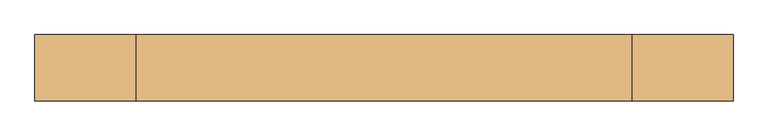
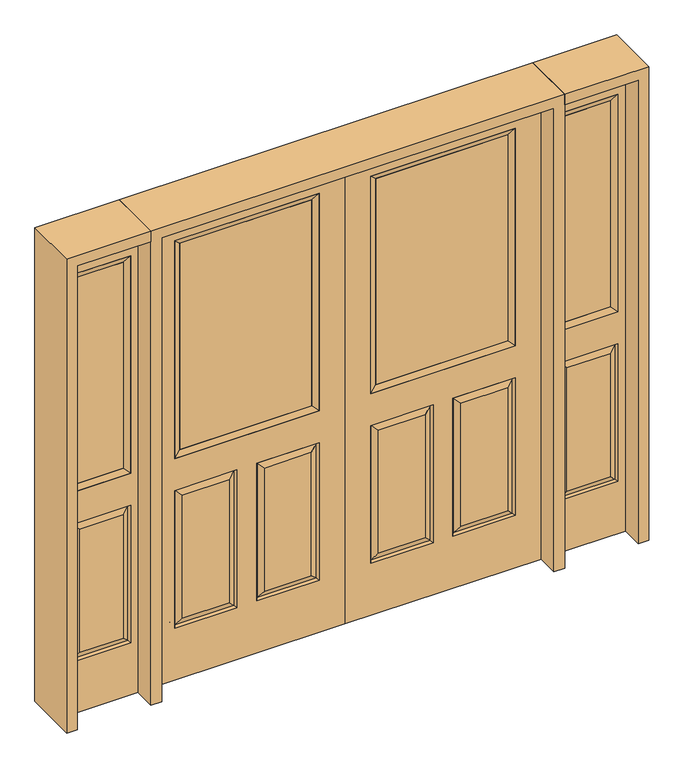
"""IFC4 building model written with IfcOpenShell, lengths in millimetres: door geometry."""

from ifc_helpers import new_model, si_unit, frame, origin, place, context, project, spatial, polyline, outline, extrude, faceted_brep, source, transform, mapped, element, save


def door_8e8e281d(model_context):
    return source(origin(), model_context, "Body", "SolidModel", [
        faceted_brep([(0.0, -22.225, 0.0), (0.0, -22.225, 2032.0), (-812.8, -22.225, 2032.0), (-812.8, -22.225, 0.0), (-107.061, -22.225, 971.55), (-705.739, -22.225, 971.55), (-705.739, -22.225, 1925.574), (-107.061, -22.225, 1925.574), (-107.061, -22.225, 831.85), (-107.061, -22.225, 228.6), (-365.125, -22.225, 228.6), (-365.125, -22.225, 831.85), (-447.675, -22.225, 831.85), (-447.675, -22.225, 228.6), (-705.739, -22.225, 228.6), (-705.739, -22.225, 831.85), (-333.375, -22.225, 800.1), (-333.375, -22.225, 260.35), (-138.811, -22.225, 260.35), (-138.811, -22.225, 800.1), (-673.989, -22.225, 800.1), (-673.989, -22.225, 260.35), (-479.425, -22.225, 260.35), (-479.425, -22.225, 800.1), (-812.8, 22.225, 0.0), (0.0, 22.225, 0.0), (-812.8, 22.225, 2032.0), (0.0, 22.225, 2032.0), (-107.061, 22.225, 1925.574), (-107.061, 22.225, 971.55), (-705.739, 22.225, 971.55), (-705.739, 22.225, 1925.574), (-365.125, 22.225, 831.85), (-365.125, 22.225, 228.6), (-107.061, 22.225, 228.6), (-107.061, 22.225, 831.85), (-705.739, 22.225, 831.85), (-705.739, 22.225, 228.6), (-447.675, 22.225, 228.6), (-447.675, 22.225, 831.85), (-138.811, 22.225, 800.1), (-138.811, 22.225, 260.35), (-333.375, 22.225, 260.35), (-333.375, 22.225, 800.1), (-479.425, 22.225, 800.1), (-479.425, 22.225, 260.35), (-673.989, 22.225, 260.35), (-673.989, 22.225, 800.1), (-114.20475, -12.7449236, 824.70625), (-357.98125, -12.7449236, 824.70625), (-114.20475, -12.7449236, 235.74375), (-357.98125, -12.7449236, 235.74375), (-698.59525, -12.7449236, 824.70625), (-454.81875, -12.7449236, 824.70625), (-454.81875, -12.7449236, 235.74375), (-698.59525, -12.7449236, 235.74375), (-114.20475, 12.7449236, 824.70625), (-357.98125, 12.7449236, 824.70625), (-357.98125, 12.7449236, 235.74375), (-114.20475, 12.7449236, 235.74375), (-698.59525, 12.7449236, 824.70625), (-454.81875, 12.7449236, 824.70625), (-698.59525, 12.7449236, 235.74375), (-454.81875, 12.7449236, 235.74375)], [[[0, 1, 2, 3], [4, 5, 6, 7], [8, 9, 10, 11], [12, 13, 14, 15]], [[16, 17, 18, 19]], [[20, 21, 22, 23]], [[3, 24, 25, 0]], [[2, 26, 24, 3]], [[0, 25, 27, 1]], [[7, 28, 29, 4]], [[5, 30, 31, 6]], [[4, 29, 30, 5]], [[25, 24, 26, 27], [29, 28, 31, 30], [32, 33, 34, 35], [36, 37, 38, 39]], [[40, 41, 42, 43]], [[44, 45, 46, 47]], [[1, 27, 26, 2]], [[6, 31, 28, 7]], [[16, 19, 48, 49]], [[19, 18, 50, 48]], [[51, 50, 18, 17]], [[49, 51, 17, 16]], [[48, 8, 11, 49]], [[11, 10, 51, 49]], [[10, 9, 50, 51]], [[48, 50, 9, 8]], [[52, 20, 23, 53]], [[23, 22, 54, 53]], [[22, 21, 55, 54]], [[52, 55, 21, 20]], [[53, 12, 15, 52]], [[15, 14, 55, 52]], [[54, 55, 14, 13]], [[53, 54, 13, 12]], [[56, 40, 43, 57]], [[43, 42, 58, 57]], [[42, 41, 59, 58]], [[56, 59, 41, 40]], [[57, 32, 35, 56]], [[35, 34, 59, 56]], [[58, 59, 34, 33]], [[57, 58, 33, 32]], [[44, 47, 60, 61]], [[47, 46, 62, 60]], [[63, 62, 46, 45]], [[61, 63, 45, 44]], [[60, 36, 39, 61]], [[39, 38, 63, 61]], [[38, 37, 62, 63]], [[60, 62, 37, 36]]]),
        extrude(outline(polyline([(-680.339, -12.7), (-680.339, 12.7), (-132.461, 12.7), (-132.461, -12.7), (-680.339, -12.7)])), frame((0.0, 0.0, 996.95), z_axis=(0.0, 0.0, 1.0), x_axis=(1.0, 0.0, 0.0)), (0.0, 0.0, 1.0), 903.224),
        faceted_brep([(-107.061, -22.225, 1925.574), (-107.061, -22.225, 971.55), (-107.061, 22.225, 971.55), (-107.061, 22.225, 1925.574), (-705.739, -22.225, 971.55), (-705.739, 22.225, 971.55), (-680.339, 12.7, 996.95), (-132.461, 12.7, 996.95), (-705.739, -22.225, 1925.574), (-705.739, 22.225, 1925.574), (-132.461, -12.7, 996.95), (-680.339, -12.7, 996.95), (-132.461, -12.7, 1900.174), (-680.339, -12.7, 1900.174), (-132.461, 12.7, 1900.174), (-680.339, 12.7, 1900.174)], [[[0, 1, 2, 3]], [[1, 4, 5, 2]], [[2, 5, 6, 7]], [[4, 8, 9, 5]], [[10, 11, 4, 1]], [[12, 10, 1, 0]], [[11, 13, 8, 4]], [[7, 6, 11, 10]], [[14, 7, 10, 12]], [[6, 15, 13, 11]], [[3, 2, 7, 14]], [[5, 9, 15, 6]], [[8, 0, 3, 9]], [[13, 12, 0, 8]], [[15, 14, 12, 13]], [[9, 3, 14, 15]]]),
        faceted_brep([(0.0, -22.225, 0.0), (812.8, -22.225, 0.0), (812.8, -22.225, 2032.0), (0.0, -22.225, 2032.0), (107.061, -22.225, 971.55), (107.061, -22.225, 1925.574), (705.739, -22.225, 1925.574), (705.739, -22.225, 971.55), (107.061, -22.225, 831.85), (365.125, -22.225, 831.85), (365.125, -22.225, 228.6), (107.061, -22.225, 228.6), (447.675, -22.225, 831.85), (705.739, -22.225, 831.85), (705.739, -22.225, 228.6), (447.675, -22.225, 228.6), (333.375, -22.225, 800.1), (138.811, -22.225, 800.1), (138.811, -22.225, 260.35), (333.375, -22.225, 260.35), (673.989, -22.225, 800.1), (479.425, -22.225, 800.1), (479.425, -22.225, 260.35), (673.989, -22.225, 260.35), (0.0, 22.225, 0.0), (812.8, 22.225, 0.0), (812.8, 22.225, 2032.0), (0.0, 22.225, 2032.0), (107.061, 22.225, 971.55), (107.061, 22.225, 1925.574), (705.739, 22.225, 1925.574), (705.739, 22.225, 971.55), (365.125, 22.225, 831.85), (107.061, 22.225, 831.85), (107.061, 22.225, 228.6), (365.125, 22.225, 228.6), (705.739, 22.225, 831.85), (447.675, 22.225, 831.85), (447.675, 22.225, 228.6), (705.739, 22.225, 228.6), (138.811, 22.225, 800.1), (333.375, 22.225, 800.1), (333.375, 22.225, 260.35), (138.811, 22.225, 260.35), (479.425, 22.225, 800.1), (673.989, 22.225, 800.1), (673.989, 22.225, 260.35), (479.425, 22.225, 260.35), (357.98125, -12.7449236, 824.70625), (114.20475, -12.7449236, 824.70625), (114.20475, -12.7449236, 235.74375), (357.98125, -12.7449236, 235.74375), (698.59525, -12.7449236, 824.70625), (454.81875, -12.7449236, 824.70625), (454.81875, -12.7449236, 235.74375), (698.59525, -12.7449236, 235.74375), (114.20475, 12.7449236, 824.70625), (357.98125, 12.7449236, 824.70625), (357.98125, 12.7449236, 235.74375), (114.20475, 12.7449236, 235.74375), (454.81875, 12.7449236, 824.70625), (698.59525, 12.7449236, 824.70625), (698.59525, 12.7449236, 235.74375), (454.81875, 12.7449236, 235.74375)], [[[0, 1, 2, 3], [4, 5, 6, 7], [8, 9, 10, 11], [12, 13, 14, 15]], [[16, 17, 18, 19]], [[20, 21, 22, 23]], [[1, 0, 24, 25]], [[2, 1, 25, 26]], [[0, 3, 27, 24]], [[5, 4, 28, 29]], [[7, 6, 30, 31]], [[4, 7, 31, 28]], [[24, 27, 26, 25], [28, 31, 30, 29], [32, 33, 34, 35], [36, 37, 38, 39]], [[40, 41, 42, 43]], [[44, 45, 46, 47]], [[3, 2, 26, 27]], [[6, 5, 29, 30]], [[16, 48, 49, 17]], [[17, 49, 50, 18]], [[51, 19, 18, 50]], [[48, 16, 19, 51]], [[49, 48, 9, 8]], [[9, 48, 51, 10]], [[10, 51, 50, 11]], [[49, 8, 11, 50]], [[52, 53, 21, 20]], [[21, 53, 54, 22]], [[22, 54, 55, 23]], [[52, 20, 23, 55]], [[53, 52, 13, 12]], [[13, 52, 55, 14]], [[54, 15, 14, 55]], [[53, 12, 15, 54]], [[56, 57, 41, 40]], [[41, 57, 58, 42]], [[42, 58, 59, 43]], [[56, 40, 43, 59]], [[57, 56, 33, 32]], [[33, 56, 59, 34]], [[58, 35, 34, 59]], [[57, 32, 35, 58]], [[44, 60, 61, 45]], [[45, 61, 62, 46]], [[63, 47, 46, 62]], [[60, 44, 47, 63]], [[61, 60, 37, 36]], [[37, 60, 63, 38]], [[38, 63, 62, 39]], [[61, 36, 39, 62]]]),
        extrude(outline(polyline([(680.339, -12.7), (132.461, -12.7), (132.461, 12.7), (680.339, 12.7), (680.339, -12.7)])), frame((0.0, 0.0, 996.95), z_axis=(0.0, 0.0, 1.0), x_axis=(1.0, 0.0, 0.0)), (0.0, 0.0, 1.0), 903.224),
        faceted_brep([(107.061, -22.225, 1925.574), (107.061, 22.225, 1925.574), (107.061, 22.225, 971.55), (107.061, -22.225, 971.55), (705.739, 22.225, 971.55), (705.739, -22.225, 971.55), (132.461, 12.7, 996.95), (680.339, 12.7, 996.95), (705.739, 22.225, 1925.574), (705.739, -22.225, 1925.574), (132.461, -12.7, 996.95), (680.339, -12.7, 996.95), (132.461, -12.7, 1900.174), (680.339, -12.7, 1900.174), (132.461, 12.7, 1900.174), (680.339, 12.7, 1900.174)], [[[0, 1, 2, 3]], [[3, 2, 4, 5]], [[2, 6, 7, 4]], [[5, 4, 8, 9]], [[10, 3, 5, 11]], [[12, 0, 3, 10]], [[11, 5, 9, 13]], [[6, 10, 11, 7]], [[14, 12, 10, 6]], [[7, 11, 13, 15]], [[1, 14, 6, 2]], [[4, 7, 15, 8]], [[9, 8, 1, 0]], [[13, 9, 0, 12]], [[15, 13, 12, 14]], [[8, 15, 14, 1]]]),
        faceted_brep([(1162.05, -22.225, 0.0), (1162.05, -22.225, 2032.0), (857.25, -22.225, 2032.0), (857.25, -22.225, 0.0), (888.238, -22.225, 1925.574), (1131.062, -22.225, 1925.574), (1131.062, -22.225, 971.55), (888.238, -22.225, 971.55), (888.238, -22.225, 228.6), (888.238, -22.225, 831.85), (1131.062, -22.225, 831.85), (1131.062, -22.225, 228.6), (1099.1559872, -22.225, 260.5060128), (1099.1559872, -22.225, 799.9439872), (920.1440128, -22.225, 799.9439872), (920.1440128, -22.225, 260.5060128), (857.25, 22.225, 0.0), (1162.05, 22.225, 0.0), (857.25, 22.225, 2032.0), (1162.05, 22.225, 2032.0), (888.238, 22.225, 971.55), (888.238, 22.225, 1925.574), (1131.062, 22.225, 971.55), (1131.062, 22.225, 1925.574), (1131.062, 22.225, 228.6), (1131.062, 22.225, 831.85), (888.238, 22.225, 831.85), (888.238, 22.225, 228.6), (920.1440128, 22.225, 260.5060128), (920.1440128, 22.225, 799.9439872), (1099.1559872, 22.225, 799.9439872), (1099.1559872, 22.225, 260.5060128), (1124.1419933, -13.0418409, 235.5200067), (895.1580067, -13.0418409, 235.5200067), (1124.1419933, -13.0418409, 824.9299933), (895.1580067, -13.0418409, 824.9299933), (1124.1419933, 13.0418409, 235.5200067), (895.1580067, 13.0418409, 235.5200067), (895.1580067, 13.0418409, 824.9299933), (1124.1419933, 13.0418409, 824.9299933)], [[[0, 1, 2, 3], [4, 5, 6, 7], [8, 9, 10, 11]], [[12, 13, 14, 15]], [[3, 16, 17, 0]], [[2, 18, 16, 3]], [[0, 17, 19, 1]], [[7, 20, 21, 4]], [[6, 22, 20, 7]], [[5, 23, 22, 6]], [[17, 16, 18, 19], [21, 20, 22, 23], [24, 25, 26, 27]], [[28, 29, 30, 31]], [[1, 19, 18, 2]], [[4, 21, 23, 5]], [[8, 11, 32, 33]], [[11, 10, 34, 32]], [[35, 34, 10, 9]], [[33, 35, 9, 8]], [[32, 12, 15, 33]], [[15, 14, 35, 33]], [[14, 13, 34, 35]], [[32, 34, 13, 12]], [[36, 24, 27, 37]], [[27, 26, 38, 37]], [[26, 25, 39, 38]], [[36, 39, 25, 24]], [[37, 28, 31, 36]], [[31, 30, 39, 36]], [[38, 39, 30, 29]], [[37, 38, 29, 28]]]),
        extrude(outline(polyline([(913.638, -12.7), (913.638, 12.7), (1105.662, 12.7), (1105.662, -12.7), (913.638, -12.7)])), frame((0.0, 0.0, 996.95), z_axis=(0.0, 0.0, 1.0), x_axis=(1.0, 0.0, 0.0)), (0.0, 0.0, 1.0), 903.224),
        faceted_brep([(1131.062, -22.225, 1925.574), (1131.062, -22.225, 971.55), (1131.062, 22.225, 971.55), (1131.062, 22.225, 1925.574), (888.238, -22.225, 971.55), (888.238, 22.225, 971.55), (913.638, 12.7, 996.95), (1105.662, 12.7, 996.95), (888.238, -22.225, 1925.574), (888.238, 22.225, 1925.574), (1105.662, -12.7, 996.95), (913.638, -12.7, 996.95), (1105.662, -12.7, 1900.174), (913.638, -12.7, 1900.174), (1105.662, 12.7, 1900.174), (913.638, 12.7, 1900.174)], [[[0, 1, 2, 3]], [[1, 4, 5, 2]], [[2, 5, 6, 7]], [[4, 8, 9, 5]], [[10, 11, 4, 1]], [[12, 10, 1, 0]], [[11, 13, 8, 4]], [[7, 6, 11, 10]], [[14, 7, 10, 12]], [[6, 15, 13, 11]], [[3, 2, 7, 14]], [[5, 9, 15, 6]], [[8, 0, 3, 9]], [[13, 12, 0, 8]], [[15, 14, 12, 13]], [[9, 3, 14, 15]]]),
        faceted_brep([(-1162.05, -22.225, 0.0), (-857.25, -22.225, 0.0), (-857.25, -22.225, 2032.0), (-1162.05, -22.225, 2032.0), (-888.238, -22.225, 1925.574), (-888.238, -22.225, 971.55), (-1131.062, -22.225, 971.55), (-1131.062, -22.225, 1925.574), (-888.238, -22.225, 228.6), (-1131.062, -22.225, 228.6), (-1131.062, -22.225, 831.85), (-888.238, -22.225, 831.85), (-1099.1559872, -22.225, 260.5060128), (-920.1440128, -22.225, 260.5060128), (-920.1440128, -22.225, 799.9439872), (-1099.1559872, -22.225, 799.9439872), (-1162.05, 22.225, 0.0), (-857.25, 22.225, 0.0), (-857.25, 22.225, 2032.0), (-1162.05, 22.225, 2032.0), (-888.238, 22.225, 1925.574), (-888.238, 22.225, 971.55), (-1131.062, 22.225, 971.55), (-1131.062, 22.225, 1925.574), (-1131.062, 22.225, 228.6), (-888.238, 22.225, 228.6), (-888.238, 22.225, 831.85), (-1131.062, 22.225, 831.85), (-920.1440128, 22.225, 260.5060128), (-1099.1559872, 22.225, 260.5060128), (-1099.1559872, 22.225, 799.9439872), (-920.1440128, 22.225, 799.9439872), (-895.1580067, -13.0418409, 235.5200067), (-1124.1419933, -13.0418409, 235.5200067), (-1124.1419933, -13.0418409, 824.9299933), (-895.1580067, -13.0418409, 824.9299933), (-1124.1419933, 13.0418409, 235.5200067), (-895.1580067, 13.0418409, 235.5200067), (-895.1580067, 13.0418409, 824.9299933), (-1124.1419933, 13.0418409, 824.9299933)], [[[0, 1, 2, 3], [4, 5, 6, 7], [8, 9, 10, 11]], [[12, 13, 14, 15]], [[1, 0, 16, 17]], [[2, 1, 17, 18]], [[0, 3, 19, 16]], [[5, 4, 20, 21]], [[6, 5, 21, 22]], [[7, 6, 22, 23]], [[16, 19, 18, 17], [20, 23, 22, 21], [24, 25, 26, 27]], [[28, 29, 30, 31]], [[3, 2, 18, 19]], [[4, 7, 23, 20]], [[8, 32, 33, 9]], [[9, 33, 34, 10]], [[35, 11, 10, 34]], [[32, 8, 11, 35]], [[33, 32, 13, 12]], [[13, 32, 35, 14]], [[14, 35, 34, 15]], [[33, 12, 15, 34]], [[36, 37, 25, 24]], [[25, 37, 38, 26]], [[26, 38, 39, 27]], [[36, 24, 27, 39]], [[37, 36, 29, 28]], [[29, 36, 39, 30]], [[38, 31, 30, 39]], [[37, 28, 31, 38]]]),
        extrude(outline(polyline([(-913.638, -12.7), (-1105.662, -12.7), (-1105.662, 12.7), (-913.638, 12.7), (-913.638, -12.7)])), frame((0.0, 0.0, 996.95), z_axis=(0.0, 0.0, 1.0), x_axis=(1.0, 0.0, 0.0)), (0.0, 0.0, 1.0), 903.224),
        faceted_brep([(-1131.062, -22.225, 1925.574), (-1131.062, 22.225, 1925.574), (-1131.062, 22.225, 971.55), (-1131.062, -22.225, 971.55), (-888.238, 22.225, 971.55), (-888.238, -22.225, 971.55), (-1105.662, 12.7, 996.95), (-913.638, 12.7, 996.95), (-888.238, 22.225, 1925.574), (-888.238, -22.225, 1925.574), (-1105.662, -12.7, 996.95), (-913.638, -12.7, 996.95), (-1105.662, -12.7, 1900.174), (-913.638, -12.7, 1900.174), (-1105.662, 12.7, 1900.174), (-913.638, 12.7, 1900.174)], [[[0, 1, 2, 3]], [[3, 2, 4, 5]], [[2, 6, 7, 4]], [[5, 4, 8, 9]], [[10, 3, 5, 11]], [[12, 0, 3, 10]], [[11, 5, 9, 13]], [[6, 10, 11, 7]], [[14, 12, 10, 6]], [[7, 11, 13, 15]], [[1, 14, 6, 2]], [[4, 7, 15, 8]], [[9, 8, 1, 0]], [[13, 9, 0, 12]], [[15, 13, 12, 14]], [[8, 15, 14, 1]]]),
        extrude(outline(polyline([(2032.0, -857.25), (2076.45, -857.25), (2076.45, -1206.5), (0.0, -1206.5), (0.0, -1162.05), (2032.0, -1162.05), (2032.0, -857.25)])), frame((0.0, -114.3, 0.0), z_axis=(0.0, 1.0, 0.0), x_axis=(0.0, 0.0, 1.0)), (0.0, 0.0, 1.0), 228.6),
        extrude(outline(polyline([(2076.45, 857.25), (2032.0, 857.25), (2032.0, 1162.05), (0.0, 1162.05), (0.0, 1206.5), (2076.45, 1206.5), (2076.45, 857.25)])), frame((0.0, -114.3, 0.0), z_axis=(0.0, 1.0, 0.0), x_axis=(0.0, 0.0, 1.0)), (0.0, 0.0, 1.0), 228.6),
        extrude(outline(polyline([(0.0, -857.25), (0.0, -812.8), (2032.0, -812.8), (2032.0, 812.8), (0.0, 812.8), (0.0, 857.25), (2076.45, 857.25), (2076.45, -857.25), (0.0, -857.25)])), frame((0.0, -114.3, 0.0), z_axis=(0.0, 1.0, 0.0), x_axis=(0.0, 0.0, 1.0)), (0.0, 0.0, 1.0), 228.6),
    ])


if __name__ == "__main__":
    model = new_model("IFC4")
    model_context = context("Model", 3, world=origin())
    ifc_project = project(units=[si_unit("LENGTHUNIT", "METRE", prefix="MILLI")], contexts=[model_context])
    site = spatial("IfcSite", under=ifc_project)
    building = spatial("IfcBuilding", under=site)
    placement = place(None, origin())
    door_shape = door_8e8e281d(model_context)
    element("IfcDoor", 1, at=placement, inside=building, context=model_context, shape_type="MappedRepresentation", body=[
        mapped(door_shape, transform((0.0, 0.0, 0.0), x_axis=(1.0, 0.0, 0.0), y_axis=(0.0, 1.0, 0.0), z_axis=(0.0, 0.0, 1.0))),
    ])
    save(model, "model.ifc")
